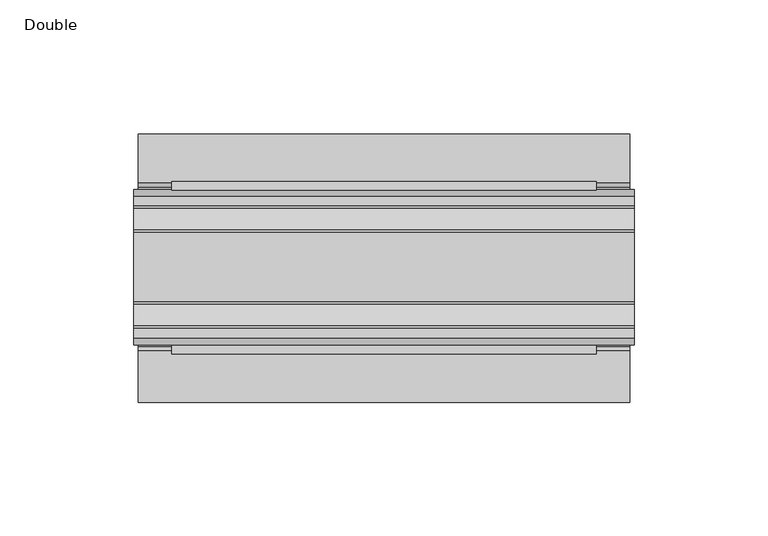
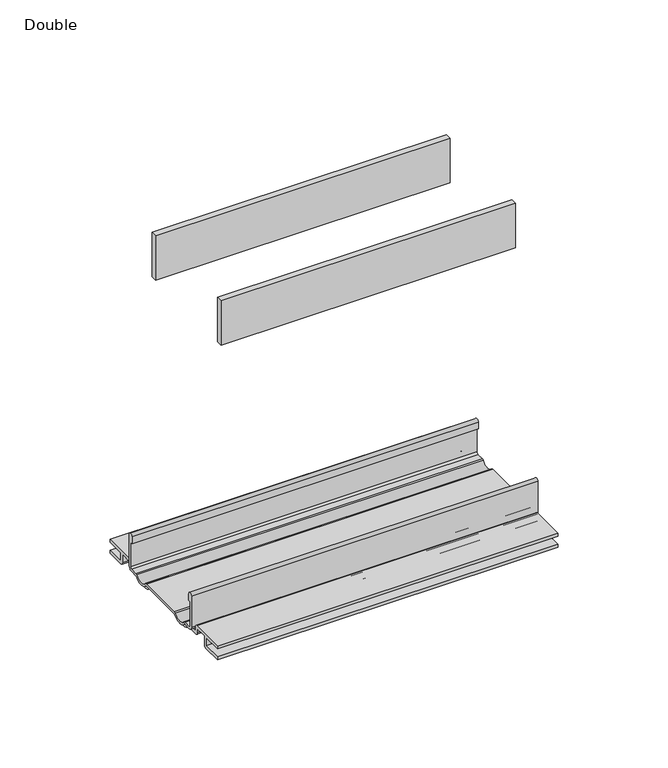
"""IFC4 building model written with IfcOpenShell, lengths in millimetres: proxy geometry, Double."""

from ifc_helpers import new_model, si_unit, point, frame, frame_2d, origin, place, context, project, spatial, polyline, circle_curve, trimmed, segment, composite_curve, outline, extrude, source, transform, mapped, element, save


def double_b4976647(model_context):
    return source(origin(), model_context, "Body", "SweptSolid", [
        extrude(outline(polyline([(79.3115091, -29.0068005), (79.3115091, -32.1817997), (-79.3115091, -32.1817997), (-79.3115091, -29.0068005), (79.3115091, -29.0068005)])), frame((0.0, 0.0, 149.8401622), z_axis=(0.0, 0.0, 1.0), x_axis=(1.0, 0.0, 0.0)), (0.0, 0.0, 1.0), 25.3999939),
        extrude(outline(polyline([(79.3115091, 32.1817997), (79.3115091, 29.0068005), (-79.3115091, 29.0068005), (-79.3115091, 32.1817997), (79.3115091, 32.1817997)])), frame((0.0, 0.0, 149.8401622), z_axis=(0.0, 0.0, 1.0), x_axis=(1.0, 0.0, 0.0)), (0.0, 0.0, 1.0), 25.3999939),
        extrude(outline(composite_curve([segment(polyline([(-28.8162961, -7.7516037), (-28.8162961, 9.8607558)]), True, "CONTINUOUS"), segment(trimmed(circle_curve(frame_2d((-27.5970982, 9.8607558)), 1.2191979), [point((-28.8162961, 9.8607558))], [point((-26.3779003, 9.8607558))], False, "CARTESIAN"), True, "CONTINUOUS"), segment(polyline([(-26.3779003, 9.8607558), (-26.3779003, 5.9999563), (-27.6580769, 5.9999563), (-27.6580769, -7.7516037)]), True, "CONTINUOUS"), segment(trimmed(circle_curve(frame_2d((-26.6420561, -7.7516037)), 1.0160208), [point((-27.6580769, -7.7516037))], [point((-26.6485732, -8.7676036))], True, "CARTESIAN"), True, "CONTINUOUS"), segment(polyline([(-26.6485732, -8.7676036), (-22.7056226, -8.7676036), (-21.7922609, -8.968753)]), True, "CONTINUOUS"), segment(trimmed(circle_curve(frame_2d((-17.7673021, -6.1259382)), 4.9276657), [point((-21.7922609, -8.968753))], [point((-13.7423434, -8.968753))], True, "CARTESIAN"), True, "CONTINUOUS"), segment(polyline([(-13.7423434, -8.968753), (-12.8289726, -8.7676036), (13.2099722, -8.7676036), (14.123343, -8.968753)]), True, "CONTINUOUS"), segment(trimmed(circle_curve(frame_2d((18.1483018, -6.1259382)), 4.9276657), [point((14.123343, -8.968753))], [point((22.1732605, -8.968753))], True, "CARTESIAN"), True, "CONTINUOUS"), segment(polyline([(22.1732605, -8.968753), (23.0866222, -8.7676036), (27.0295728, -8.7676036)]), True, "CONTINUOUS"), segment(trimmed(circle_curve(frame_2d((27.0230557, -7.7516037)), 1.0160208), [point((27.0295728, -8.7676036))], [point((28.0390765, -7.7516037))], True, "CARTESIAN"), True, "CONTINUOUS"), segment(polyline([(28.0390765, -7.7516037), (28.0390765, 5.9999563), (26.7588999, 5.9999563), (26.7588999, 9.8607558)]), True, "CONTINUOUS"), segment(trimmed(circle_curve(frame_2d((27.9780978, 9.8607558)), 1.2191979), [point((26.7588999, 9.8607558))], [point((29.1972958, 9.8607558))], False, "CARTESIAN"), True, "CONTINUOUS"), segment(polyline([(29.1972958, 9.8607558), (29.1972958, -7.7516037)]), True, "CONTINUOUS"), segment(trimmed(circle_curve(frame_2d((27.0230557, -7.7516037)), 2.17424), [point((29.1972958, -7.7516037))], [point((27.0230557, -9.9258438))], False, "CARTESIAN"), True, "CONTINUOUS"), segment(polyline([(27.0230557, -9.9258438), (22.732069, -9.9258438)]), True, "CONTINUOUS"), segment(trimmed(circle_curve(frame_2d((18.1516545, -6.4800016)), 5.7318431), [point((22.732069, -9.9258438))], [point((13.57124, -9.9258438))], False, "CARTESIAN"), True, "CONTINUOUS"), segment(polyline([(13.57124, -9.9258438), (-13.1902404, -9.9258438)]), True, "CONTINUOUS"), segment(trimmed(circle_curve(frame_2d((-17.7706549, -6.4800016)), 5.7318431), [point((-13.1902404, -9.9258438))], [point((-22.3510694, -9.9258438))], False, "CARTESIAN"), True, "CONTINUOUS"), segment(polyline([(-22.3510694, -9.9258438), (-26.6420561, -9.9258438)]), True, "CONTINUOUS"), segment(trimmed(circle_curve(frame_2d((-26.6420561, -7.7516037)), 2.17424), [point((-26.6420561, -9.9258438))], [point((-28.8162961, -7.7516037))], False, "CARTESIAN"), True, "CONTINUOUS")], self_intersect=False)), frame((-93.3704, 0.0, 0.0), z_axis=(1.0, 0.0, 0.0), x_axis=(0.0, 1.0, 0.0)), (0.0, 0.0, 1.0), 186.7408),
        extrude(outline(composite_curve([segment(polyline([(-50.2668422, -13.9898438), (-50.2240211, -12.3388438), (-39.7827507, -12.3388438), (-39.7827507, -7.766844), (-50.2240211, -7.766844), (-50.2668422, -6.1158439), (-31.1784975, -6.1158439)]), True, "CONTINUOUS"), segment(trimmed(circle_curve(frame_2d((-31.1784975, -7.6398436)), 1.5239997), [point((-31.1784975, -6.1158439))], [point((-29.6544978, -7.6398436))], False, "CARTESIAN"), True, "CONTINUOUS"), segment(polyline([(-29.6544978, -7.6398436), (-29.6544978, -9.9258438), (-23.1058344, -9.9258438)]), True, "CONTINUOUS"), segment(trimmed(circle_curve(frame_2d((-17.7673021, -5.2268471)), 7.1119966), [point((-23.1058344, -9.9258438))], [point((-12.4287699, -9.9258438))], True, "CARTESIAN"), True, "CONTINUOUS"), segment(polyline([(-12.4287699, -9.9258438), (12.8097695, -9.9258438)]), True, "CONTINUOUS"), segment(trimmed(circle_curve(frame_2d((18.1483018, -5.2268471)), 7.1119966), [point((12.8097695, -9.9258438))], [point((23.486834, -9.9258438))], True, "CARTESIAN"), True, "CONTINUOUS"), segment(polyline([(23.486834, -9.9258438), (30.0354975, -9.9258438), (30.0354975, -7.7656583)]), True, "CONTINUOUS"), segment(trimmed(circle_curve(frame_2d((31.6864982, -7.7656583)), 1.6510007), [point((30.0354975, -7.7656583))], [point((31.6239218, -6.1158439))], False, "CARTESIAN"), True, "CONTINUOUS"), segment(polyline([(31.6239218, -6.1158439), (50.00625, -6.1158439), (50.00625, -7.766844), (40.1637503, -7.766844), (40.1637503, -12.3388438), (50.00625, -12.3388438), (50.00625, -13.9898438), (40.0367518, -13.9898438)]), True, "CONTINUOUS"), segment(trimmed(circle_curve(frame_2d((40.0367518, -12.4658438)), 1.524), [point((40.0367518, -13.9898438))], [point((38.5127519, -12.4658438))], False, "CARTESIAN"), True, "CONTINUOUS"), segment(polyline([(38.5127519, -12.4658438), (38.5127519, -7.766844), (31.686497, -7.766844), (31.686497, -10.0528438)]), True, "CONTINUOUS"), segment(trimmed(circle_curve(frame_2d((30.1624971, -10.0528438)), 1.524), [point((31.686497, -10.0528438))], [point((30.1624971, -11.5768438))], False, "CARTESIAN"), True, "CONTINUOUS"), segment(polyline([(30.1624971, -11.5768438), (23.6563549, -11.5768438)]), True, "CONTINUOUS"), segment(trimmed(circle_curve(frame_2d((18.1483018, -6.4968436)), 7.4930002), [point((23.6563549, -11.5768438))], [point((12.8904968, -11.8354331))], False, "CARTESIAN"), True, "CONTINUOUS"), segment(polyline([(12.8904968, -11.8354331), (-12.5094972, -11.8354331)]), True, "CONTINUOUS"), segment(trimmed(circle_curve(frame_2d((-17.7673021, -6.4968436)), 7.4930002), [point((-12.5094972, -11.8354331))], [point((-23.2753553, -11.5768438))], False, "CARTESIAN"), True, "CONTINUOUS"), segment(polyline([(-23.2753553, -11.5768438), (-29.7814974, -11.5768438)]), True, "CONTINUOUS"), segment(trimmed(circle_curve(frame_2d((-29.7814974, -10.0528438)), 1.524), [point((-29.7814974, -11.5768438))], [point((-31.3054974, -10.0528438))], False, "CARTESIAN"), True, "CONTINUOUS"), segment(polyline([(-31.3054974, -10.0528438), (-31.3054974, -7.766844), (-38.1317522, -7.766844), (-38.1317522, -12.4658438)]), True, "CONTINUOUS"), segment(trimmed(circle_curve(frame_2d((-39.6557522, -12.4658438)), 1.524), [point((-38.1317522, -12.4658438))], [point((-39.6557522, -13.9898438))], False, "CARTESIAN"), True, "CONTINUOUS"), segment(polyline([(-39.6557522, -13.9898438), (-50.2668422, -13.9898438)]), True, "CONTINUOUS")], self_intersect=False)), frame((-91.7194, 0.0, 0.0), z_axis=(1.0, 0.0, 0.0), x_axis=(0.0, 1.0, 0.0)), (0.0, 0.0, 1.0), 183.4388),
    ])


if __name__ == "__main__":
    model = new_model("IFC4")
    model_context = context("Model", 3, world=origin())
    ifc_project = project(units=[si_unit("LENGTHUNIT", "METRE", prefix="MILLI")], contexts=[model_context])
    site = spatial("IfcSite", under=ifc_project)
    building = spatial("IfcBuilding", under=site)
    placement = place(None, origin())
    double_shape = double_b4976647(model_context)
    element("IfcBuildingElementProxy", 1, Name="Double", ObjectType="Double", at=placement, inside=building, context=model_context, shape_type="MappedRepresentation", body=[
        mapped(double_shape, transform((0.0, 0.0, 0.0), x_axis=(1.0, 0.0, 0.0), y_axis=(0.0, 1.0, 0.0), z_axis=(0.0, 0.0, 1.0))),
    ])
    save(model, "model.ifc")
